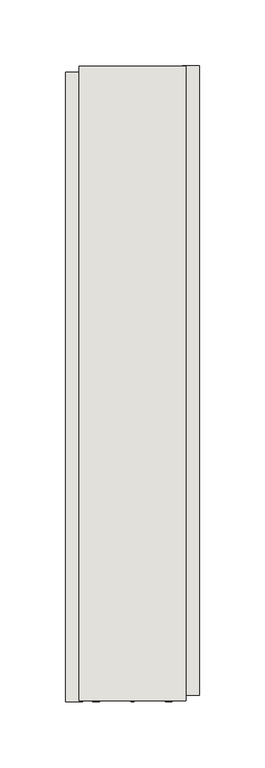
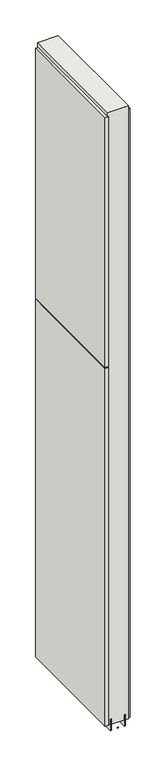
"""IFC4 building model written with IfcOpenShell, lengths in millimetres: wall geometry."""

from ifc_helpers import new_model, si_unit, frame, origin, place, context, project, spatial, polyline, outline, extrude, source, transform, mapped, element, save


def wall_4f331c8c(model_context):
    return source(origin(), model_context, "Body", "SweptSolid", [
        extrude(outline(polyline([(54639.882211, -56263.7483562), (54639.882211, -56266.2883562), (54637.342211, -56266.2883562), (54637.342211, -56263.7483562), (54639.882211, -56263.7483562)])), frame((0.0, 0.0, 4419.6), z_axis=(0.0, 0.0, 1.0), x_axis=(1.0, 0.0, 0.0)), (0.0, 0.0, 1.0), 2.54),
        extrude(outline(polyline([(54587.812211, -56266.7521221), (54587.812211, -55788.7709343), (54600.512211, -55788.7709343), (54600.512211, -56266.7521221), (54587.812211, -56266.7521221)])), frame((0.0, 0.0, 5945.599869), z_axis=(0.0, 0.0, 1.0), x_axis=(1.0, 0.0, 0.0)), (0.0, 0.0, 1.0), 1044.449905),
        extrude(outline(polyline([(54587.812211, -56266.7521221), (54587.812211, -55788.7709343), (54600.512211, -55788.7709343), (54600.512211, -56266.7521221), (54587.812211, -56266.7521221)])), frame((0.0, 0.0, 4445.0), z_axis=(0.0, 0.0, 1.0), x_axis=(1.0, 0.0, 0.0)), (0.0, 0.0, 1.0), 1496.600004),
        extrude(outline(polyline([(54689.412211, -55783.8471951), (54689.412211, -56261.8283829), (54676.712211, -56261.8283829), (54676.712211, -55783.8471951), (54689.412211, -55783.8471951)])), frame((0.0, 0.0, 4445.0), z_axis=(0.0, 0.0, 1.0), x_axis=(1.0, 0.0, 0.0)), (0.0, 0.0, 1.0), 2545.0498756),
        extrude(outline(polyline([(54613.5284664, -55784.315914), (54613.5284664, -56266.2834032), (54608.449711, -56266.2834032), (54608.449711, -55784.315914), (54613.5284664, -55784.315914)])), frame((0.0, 0.0, 4418.6602), z_axis=(0.0, 0.0, 1.0), x_axis=(1.0, 0.0, 0.0)), (0.0, 0.0, 1.0), 47.625),
        extrude(outline(polyline([(54613.5284664, -55784.315914), (54613.5284664, -56266.2834032), (54608.449711, -56266.2834032), (54608.449711, -55784.315914), (54613.5284664, -55784.315914)])), frame((0.0, 0.0, 4418.6602), z_axis=(0.0, 0.0, 1.0), x_axis=(1.0, 0.0, 0.0)), (0.0, 0.0, 1.0), 47.625),
        extrude(outline(polyline([(54663.6959556, -56266.2834032), (54663.6959556, -55784.315914), (54668.774711, -55784.315914), (54668.774711, -56266.2834032), (54663.6959556, -56266.2834032)])), frame((0.0, 0.0, 4418.6602), z_axis=(0.0, 0.0, 1.0), x_axis=(1.0, 0.0, 0.0)), (0.0, 0.0, 1.0), 47.625),
        extrude(outline(polyline([(54663.6959556, -56266.2834032), (54663.6959556, -55784.315914), (54668.774711, -55784.315914), (54668.774711, -56266.2834032), (54663.6959556, -56266.2834032)])), frame((0.0, 0.0, 4418.6602), z_axis=(0.0, 0.0, 1.0), x_axis=(1.0, 0.0, 0.0)), (0.0, 0.0, 1.0), 47.625),
        extrude(outline(polyline([(54597.9573266, -55784.315914), (54679.2670954, -55784.315914), (54679.2670954, -56266.2834032), (54597.9573266, -56266.2834032), (54597.9573266, -55784.315914)])), frame((0.0, 0.0, 4445.0), z_axis=(0.0, 0.0, 1.0), x_axis=(1.0, 0.0, 0.0)), (0.0, 0.0, 1.0), 2562.4536762),
    ])


if __name__ == "__main__":
    model = new_model("IFC4")
    model_context = context("Model", 3, world=origin())
    ifc_project = project(units=[si_unit("LENGTHUNIT", "METRE", prefix="MILLI")], contexts=[model_context])
    site = spatial("IfcSite", under=ifc_project)
    building = spatial("IfcBuilding", under=site)
    placement = place(None, origin())
    wall_shape = wall_4f331c8c(model_context)
    element("IfcWall", 1, at=placement, inside=building, context=model_context, shape_type="MappedRepresentation", body=[
        mapped(wall_shape, transform((0.0, 0.0, 0.0), x_axis=(1.0, 0.0, 0.0), y_axis=(0.0, 1.0, 0.0), z_axis=(0.0, 0.0, 1.0))),
    ])
    save(model, "model.ifc")
